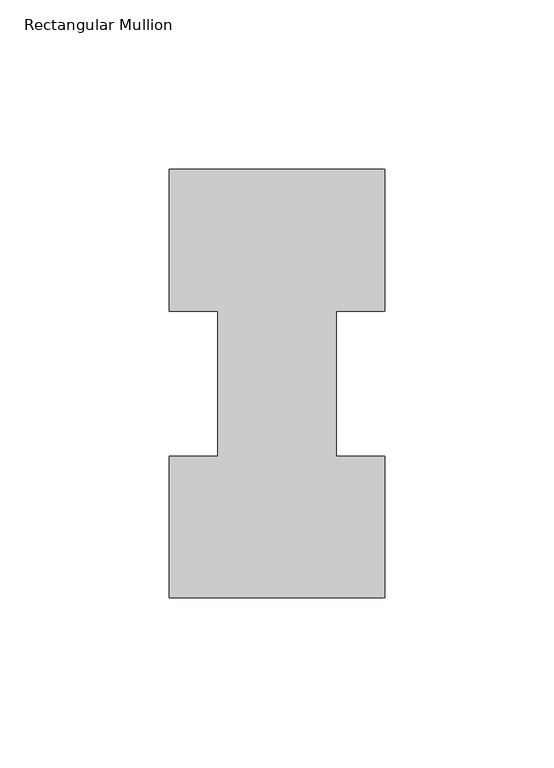
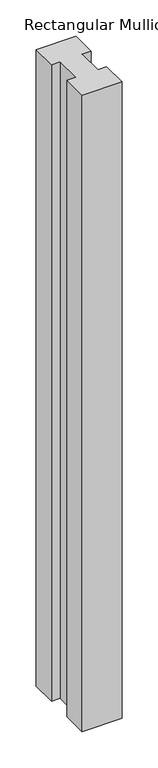
"""IFC4 building model written with IfcOpenShell, lengths in millimetres: member geometry, Rectangular Mullion."""

from ifc_helpers import new_model, si_unit, frame, origin, place, context, project, spatial, polyline, outline, extrude, source, transform, mapped, element, save


def rectangular_mullion_40abd80b(model_context):
    return source(origin(), model_context, "Body", "SweptSolid", [
        extrude(outline(polyline([(-63.5, 0.2967757), (-63.5, 42.1178757), (-49.2125, 42.1178757), (-49.2125, 84.93125), (-63.5, 84.93125), (-63.5, 126.7887757), (0.0, 126.7887757), (0.0, 84.93125), (-14.2748, 84.93125), (-14.2748, 42.1178757), (0.0, 42.1178757), (0.0, 0.2967757), (-63.5, 0.2967757)])), frame((0.0, 0.0, -1069.975), z_axis=(0.0, 0.0, 1.0), x_axis=(1.0, 0.0, 0.0)), (0.0, 0.0, 1.0), 1069.975),
    ])


if __name__ == "__main__":
    model = new_model("IFC4")
    model_context = context("Model", 3, world=origin())
    ifc_project = project(units=[si_unit("LENGTHUNIT", "METRE", prefix="MILLI")], contexts=[model_context])
    site = spatial("IfcSite", under=ifc_project)
    building = spatial("IfcBuilding", under=site)
    placement = place(None, origin())
    rectangular_mullion_shape = rectangular_mullion_40abd80b(model_context)
    element("IfcMember", 1, ObjectType="Rectangular Mullion", at=placement, inside=building, context=model_context, shape_type="MappedRepresentation", body=[
        mapped(rectangular_mullion_shape, transform((0.0, 0.0, 0.0), x_axis=(1.0, 0.0, 0.0), y_axis=(0.0, 1.0, 0.0), z_axis=(0.0, 0.0, 1.0))),
    ])
    save(model, "model.ifc")
